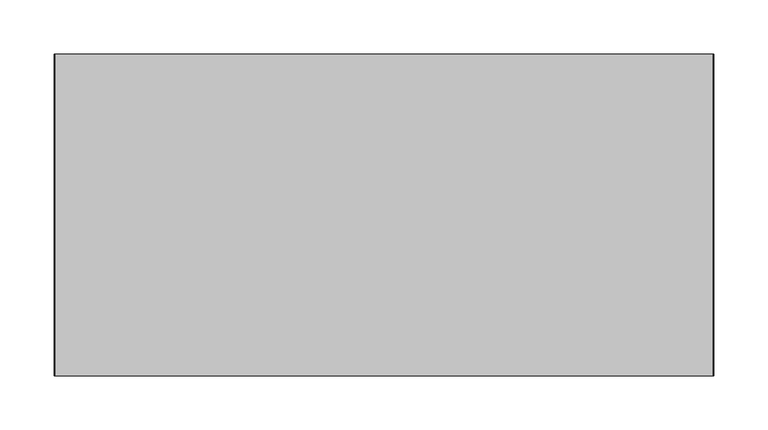
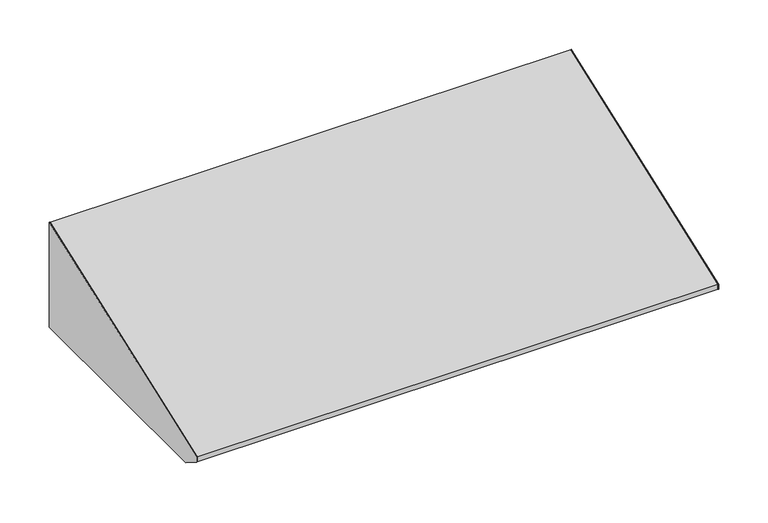
"""IFC4 building model written with IfcOpenShell, lengths in millimetres: furniture geometry."""

from ifc_helpers import new_model, si_unit, frame, origin, place, context, project, spatial, polyline, outline, extrude, source, transform, mapped, element, save


def furniture_b3978852(model_context):
    return source(origin(), model_context, "Body", "SweptSolid", [
        extrude(outline(polyline([(-21.75256, 2250.3147788), (-21.75256, 2120.9198437), (-297.3953187, 2120.9198437), (-319.23736, 2134.7509853), (-319.23736, 2140.873236), (-21.75256, 2250.3147788)])), frame((322.7439549, 0.0, 0.0), z_axis=(1.0, 0.0, 0.0), x_axis=(0.0, 1.0, 0.0)), (0.0, 0.0, 1.0), 0.79375),
        extrude(outline(polyline([(-21.75256, 2120.9198437), (-297.3953187, 2120.9198437), (-319.23736, 2134.7509853), (-319.23736, 2140.873236), (-21.75256, 2250.3147788), (-21.75256, 2120.9198437)])), frame((-286.0622951, 0.0, 0.0), z_axis=(1.0, 0.0, 0.0), x_axis=(0.0, 1.0, 0.0)), (0.0, 0.0, 1.0), 0.79375),
        extrude(outline(polyline([(304.488502, -284.6953187), (304.488502, -97.8702473), (322.7439549, -97.8702473), (322.7439549, -284.6953187), (304.488502, -284.6953187)])), frame((0.0, 0.0, 2120.9198437), z_axis=(0.0, 0.0, 1.0), x_axis=(1.0, 0.0, 0.0)), (0.0, 0.0, 1.0), 0.79375),
        extrude(outline(polyline([(-21.75256, 2120.9198437), (-97.5295544, 2120.9198437), (-97.5295544, 2121.7135938), (-22.54631, 2121.7135938), (-22.54631, 2235.8051226), (-21.75256, 2235.8051226), (-21.75256, 2120.9198437)])), frame((312.1081836, 0.0, 0.0), z_axis=(1.0, 0.0, 0.0), x_axis=(0.0, 1.0, 0.0)), (0.0, 0.0, 1.0), 10.6357713),
        extrude(outline(polyline([(-21.75256, 2120.9198437), (-97.5295544, 2120.9198437), (-97.5295544, 2121.7135938), (-22.54631, 2121.7135938), (-22.54631, 2235.8051226), (-21.75256, 2235.8051226), (-21.75256, 2120.9198437)])), frame((-285.2685451, 0.0, 0.0), z_axis=(1.0, 0.0, 0.0), x_axis=(0.0, 1.0, 0.0)), (0.0, 0.0, 1.0), 10.6357713),
        extrude(outline(polyline([(-285.2685451, -284.6953187), (-285.2685451, -97.8702473), (-267.0130922, -97.8702473), (-267.0130922, -284.6953187), (-285.2685451, -284.6953187)])), frame((0.0, 0.0, 2120.9198437), z_axis=(0.0, 0.0, 1.0), x_axis=(1.0, 0.0, 0.0)), (0.0, 0.0, 1.0), 0.79375),
        extrude(outline(polyline([(-319.23736, 2140.873236), (-21.75256, 2250.3147788), (-21.75256, 2235.8051226), (-22.54631, 2235.8051226), (-22.54631, 2249.1785247), (-318.44361, 2140.3187482), (-318.44361, 2135.1878636), (-221.2358067, 2121.7135938), (-284.6953187, 2121.7135938), (-284.6953187, 2120.9198437), (-297.3953187, 2120.9198437), (-319.23736, 2134.7509853), (-319.23736, 2140.873236)])), frame((-285.2685451, 0.0, 0.0), z_axis=(1.0, 0.0, 0.0), x_axis=(0.0, 1.0, 0.0)), (0.0, 0.0, 1.0), 608.0125),
    ])


if __name__ == "__main__":
    model = new_model("IFC4")
    model_context = context("Model", 3, world=origin())
    ifc_project = project(units=[si_unit("LENGTHUNIT", "METRE", prefix="MILLI")], contexts=[model_context])
    site = spatial("IfcSite", under=ifc_project)
    building = spatial("IfcBuilding", under=site)
    placement = place(None, origin())
    furniture_shape = furniture_b3978852(model_context)
    element("IfcFurniture", 1, at=placement, inside=building, context=model_context, shape_type="MappedRepresentation", body=[
        mapped(furniture_shape, transform((0.0, 0.0, 0.0), x_axis=(1.0, 0.0, 0.0), y_axis=(0.0, 1.0, 0.0), z_axis=(0.0, 0.0, 1.0))),
    ])
    save(model, "model.ifc")
